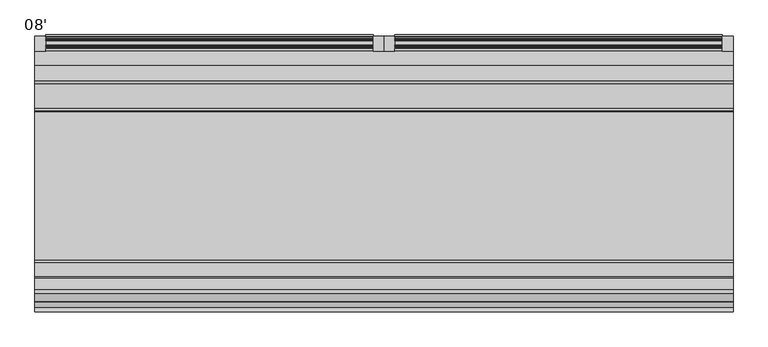
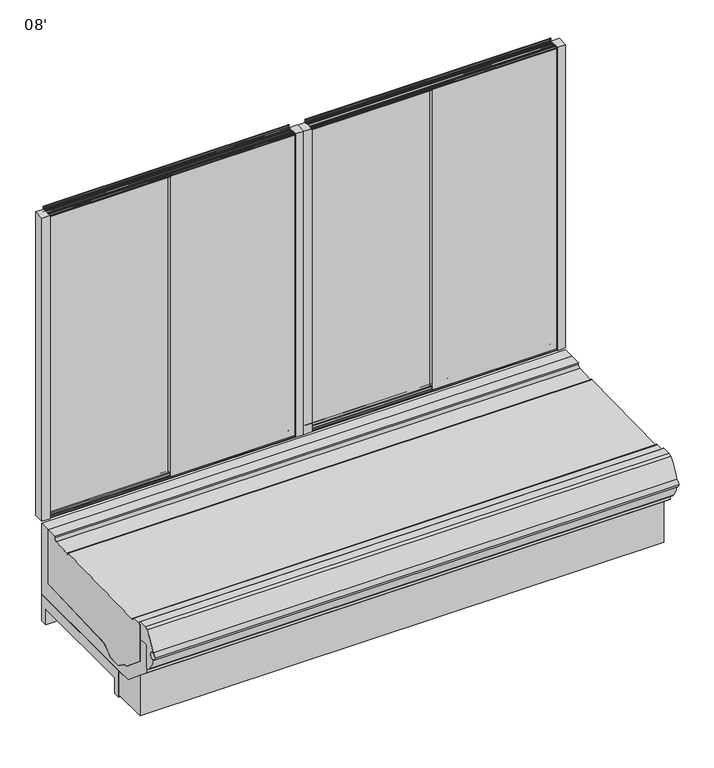
"""IFC4 building model written with IfcOpenShell, lengths in millimetres: proxy geometry, 08'."""

from ifc_helpers import new_model, si_unit, point, frame, frame_2d, origin, place, context, project, spatial, polyline, circle_curve, ellipse_curve, trimmed, segment, composite_curve, outline, extrude, source, transform, mapped, element, save
from ifc_brep_helpers import plane_surface, cylinder_surface, revolved_surface, advanced_brep


def proxy_08_94819f67(model_context):
    return source(origin(), model_context, "Body", "SolidModel", [
        extrude(outline(polyline([(2400.3, -452.3089273), (2400.3, -401.5089273), (2438.4, -401.5089273), (2438.4, -452.3089273), (2400.3, -452.3089273)])), frame((0.0, 0.0, 487.6241255), z_axis=(0.0, 0.0, 1.0), x_axis=(1.0, 0.0, 0.0)), (0.0, 0.0, 1.0), 1492.2653088),
        extrude(outline(polyline([(-447.3493012, 1973.5241255), (-440.846492, 1973.5241255), (-440.846492, 1960.8241255), (-430.661092, 1960.8241255), (-430.661092, 1973.5241255), (-424.2475921, 1973.5241255), (-424.2475927, 493.9741255), (-430.7504012, 493.9741255), (-430.7504012, 506.6741255), (-440.9358012, 506.6741255), (-440.9358012, 493.9741255), (-447.3493012, 493.9741255), (-447.3493012, 1973.5241255)])), frame((1822.3679589, 0.0, 0.0), z_axis=(1.0, 0.0, 0.0), x_axis=(0.0, 1.0, 0.0)), (0.0, 0.0, 1.0), 577.9320411),
        extrude(outline(composite_curve([segment(polyline([(-431.4353836, 490.7991255), (-431.4353836, 487.6241255), (-432.7565957, 487.6241255), (-433.7975836, 487.6241255), (-433.7975836, 490.7991255), (-436.9725836, 490.7991255), (-436.9725836, 487.6241255), (-438.1770567, 487.6241255), (-439.3347836, 487.6241255), (-439.3347836, 490.7991255), (-444.8973836, 490.7991255), (-444.8973836, 487.6241255), (-450.7393836, 487.6241255), (-450.7393836, 490.7991255)]), True, "CONTINUOUS"), segment(trimmed(circle_curve(frame_2d((-447.5643836, 490.7991255)), 3.175), [point((-450.7393836, 490.7991255))], [point((-447.5643836, 493.9741255))], False, "CARTESIAN"), True, "CONTINUOUS"), segment(polyline([(-447.5643836, 493.9741255), (-440.7571836, 493.9741255)]), True, "CONTINUOUS"), segment(trimmed(circle_curve(frame_2d((-440.7571836, 495.4981255)), 1.524), [point((-440.7571836, 493.9741255))], [point((-439.2331836, 495.4981255))], True, "CARTESIAN"), True, "CONTINUOUS"), segment(polyline([(-439.2331836, 495.4981255), (-439.2331836, 504.2928755), (-432.0957836, 504.2928755), (-432.0957836, 495.4981255)]), True, "CONTINUOUS"), segment(trimmed(circle_curve(frame_2d((-430.5717836, 495.4981255)), 1.524), [point((-432.0957836, 495.4981255))], [point((-430.5717836, 493.9741255))], True, "CARTESIAN"), True, "CONTINUOUS"), segment(polyline([(-430.5717836, 493.9741255), (-417.7447836, 493.9741255)]), True, "CONTINUOUS"), segment(trimmed(circle_curve(frame_2d((-417.7447836, 495.4981255)), 1.524), [point((-417.7447836, 493.9741255))], [point((-416.2207836, 495.4981255))], True, "CARTESIAN"), True, "CONTINUOUS"), segment(polyline([(-416.2207836, 495.4981255), (-416.2207836, 504.2928755), (-409.0849505, 504.2928755), (-409.0849505, 495.4961669)]), True, "CONTINUOUS"), segment(trimmed(circle_curve(frame_2d((-407.5586001, 495.4961669)), 1.5263503), [point((-409.0849505, 495.4961669))], [point((-407.5586001, 493.9698166))], True, "CARTESIAN"), True, "CONTINUOUS"), segment(polyline([(-407.5586001, 493.9698166), (-400.7184596, 493.9698166)]), True, "CONTINUOUS"), segment(trimmed(circle_curve(frame_2d((-400.7184596, 495.5530385)), 1.5832219), [point((-400.7184596, 493.9698166))], [point((-399.1352377, 495.5530385))], True, "CARTESIAN"), True, "CONTINUOUS"), segment(polyline([(-399.1352377, 495.5530385), (-399.1352377, 502.2711515)]), True, "CONTINUOUS"), segment(trimmed(circle_curve(frame_2d((-397.5699953, 501.9751248)), 1.5929896), [point((-399.1352377, 502.2711515))], [point((-395.9770057, 501.9751248))], False, "CARTESIAN"), True, "CONTINUOUS"), segment(polyline([(-395.9770057, 501.9751248), (-395.9770057, 478.0991225)]), True, "CONTINUOUS"), segment(trimmed(circle_curve(frame_2d((-399.2302304, 478.0991225)), 3.2532247), [point((-395.9770057, 478.0991225))], [point((-399.9393876, 474.9241316))], False, "CARTESIAN"), True, "CONTINUOUS"), segment(polyline([(-399.9393876, 474.9241316), (-399.4821836, 477.2863255)]), True, "CONTINUOUS"), segment(trimmed(circle_curve(frame_2d((-399.4383207, 478.3854626)), 1.100012), [point((-399.4821836, 477.2863255))], [point((-398.3391836, 478.4293255))], True, "CARTESIAN"), True, "CONTINUOUS"), segment(polyline([(-398.3391836, 478.4293255), (-398.3391836, 486.0493255)]), True, "CONTINUOUS"), segment(trimmed(circle_curve(frame_2d((-399.9139836, 486.0493255)), 1.5748), [point((-398.3391836, 486.0493255))], [point((-399.9139836, 487.6241255))], True, "CARTESIAN"), True, "CONTINUOUS"), segment(polyline([(-399.9139836, 487.6241255), (-404.6129836, 487.6241255), (-408.8801836, 490.7991255), (-408.8801836, 487.6241255), (-411.2423836, 487.6241255), (-411.2423836, 490.7991255), (-414.4173836, 490.7991255), (-414.4173836, 487.6241255), (-416.7795836, 487.6241255), (-416.7795836, 490.7991255), (-431.4353836, 490.7991255)]), True, "CONTINUOUS")], self_intersect=False)), frame((1257.3, 0.0, 0.0), z_axis=(1.0, 0.0, 0.0), x_axis=(0.0, 1.0, 0.0)), (0.0, 0.0, 1.0), 1143.0),
        extrude(outline(polyline([(-424.2475927, 1973.5241255), (-417.7447836, 1973.5241255), (-417.7447836, 1960.8241255), (-407.5593836, 1960.8241255), (-407.5593836, 1973.5241255), (-401.1458837, 1973.5241255), (-401.1458843, 493.9741255), (-407.6486927, 493.9741255), (-407.6486927, 506.6741255), (-417.8340927, 506.6741255), (-417.8340927, 493.9741255), (-424.2475927, 493.9741255), (-424.2475927, 1973.5241255)])), frame((1257.3, 0.0, 0.0), z_axis=(1.0, 0.0, 0.0), x_axis=(0.0, 1.0, 0.0)), (0.0, 0.0, 1.0), 577.377105),
        extrude(outline(composite_curve([segment(polyline([(-431.4353836, 1976.7144343), (-416.7795836, 1976.7144343), (-416.7795836, 1979.8894344), (-414.4173836, 1979.8894344), (-414.4173836, 1976.7144344), (-411.2423836, 1976.7144344), (-411.2423836, 1979.8894344), (-408.8801836, 1979.8894344), (-408.8801836, 1976.7144344), (-404.6129836, 1979.8894343), (-399.9139836, 1979.8894343)]), True, "CONTINUOUS"), segment(trimmed(circle_curve(frame_2d((-399.9139836, 1981.4642343)), 1.5748), [point((-399.9139836, 1979.8894343))], [point((-398.3391836, 1981.4642343))], True, "CARTESIAN"), True, "CONTINUOUS"), segment(polyline([(-398.3391836, 1981.4642343), (-398.3391836, 1989.0842344)]), True, "CONTINUOUS"), segment(trimmed(circle_curve(frame_2d((-399.4383207, 1989.1280973)), 1.100012), [point((-398.3391836, 1989.0842344))], [point((-399.4821836, 1990.2272343))], True, "CARTESIAN"), True, "CONTINUOUS"), segment(polyline([(-399.4821836, 1990.2272343), (-399.9393876, 1992.5894283)]), True, "CONTINUOUS"), segment(trimmed(circle_curve(frame_2d((-399.2302304, 1989.4144374)), 3.2532247), [point((-399.9393876, 1992.5894283))], [point((-395.9770057, 1989.4144374))], False, "CARTESIAN"), True, "CONTINUOUS"), segment(polyline([(-395.9770057, 1989.4144374), (-395.9770057, 1965.538435)]), True, "CONTINUOUS"), segment(trimmed(circle_curve(frame_2d((-397.5699953, 1965.538435)), 1.5929896), [point((-395.9770057, 1965.538435))], [point((-399.1352377, 1965.2424083))], False, "CARTESIAN"), True, "CONTINUOUS"), segment(polyline([(-399.1352377, 1965.2424083), (-399.1352377, 1971.9605214)]), True, "CONTINUOUS"), segment(trimmed(circle_curve(frame_2d((-400.7184596, 1971.9605214)), 1.5832219), [point((-399.1352377, 1971.9605214))], [point((-400.7184596, 1973.5437433))], True, "CARTESIAN"), True, "CONTINUOUS"), segment(polyline([(-400.7184596, 1973.5437433), (-407.5586001, 1973.5437433)]), True, "CONTINUOUS"), segment(trimmed(circle_curve(frame_2d((-407.5586001, 1972.0173929)), 1.5263503), [point((-407.5586001, 1973.5437433))], [point((-409.0849505, 1972.0173929))], True, "CARTESIAN"), True, "CONTINUOUS"), segment(polyline([(-409.0849505, 1972.0173929), (-409.0849505, 1963.2206844), (-416.2207836, 1963.2206844), (-416.2207836, 1972.0154344)]), True, "CONTINUOUS"), segment(trimmed(circle_curve(frame_2d((-417.7447836, 1972.0154344)), 1.524), [point((-416.2207836, 1972.0154344))], [point((-417.7447836, 1973.5394344))], True, "CARTESIAN"), True, "CONTINUOUS"), segment(polyline([(-417.7447836, 1973.5394344), (-430.5717836, 1973.5394344)]), True, "CONTINUOUS"), segment(trimmed(circle_curve(frame_2d((-430.5717836, 1972.0154344)), 1.524), [point((-430.5717836, 1973.5394344))], [point((-432.0957836, 1972.0154344))], True, "CARTESIAN"), True, "CONTINUOUS"), segment(polyline([(-432.0957836, 1972.0154344), (-432.0957836, 1963.2206844), (-439.2331836, 1963.2206844), (-439.2331836, 1972.0154344)]), True, "CONTINUOUS"), segment(trimmed(circle_curve(frame_2d((-440.7571836, 1972.0154344)), 1.524), [point((-439.2331836, 1972.0154344))], [point((-440.7571836, 1973.5394344))], True, "CARTESIAN"), True, "CONTINUOUS"), segment(polyline([(-440.7571836, 1973.5394344), (-447.5643836, 1973.5394344)]), True, "CONTINUOUS"), segment(trimmed(circle_curve(frame_2d((-447.5643836, 1976.7144344)), 3.175), [point((-447.5643836, 1973.5394344))], [point((-450.7393836, 1976.7144344))], False, "CARTESIAN"), True, "CONTINUOUS"), segment(polyline([(-450.7393836, 1976.7144344), (-450.7393836, 1979.8894344), (-444.8973836, 1979.8894344), (-444.8973836, 1976.7144344), (-439.3347836, 1976.7144344), (-439.3347836, 1979.8894344), (-438.1770567, 1979.8894344), (-436.9725836, 1979.8894344), (-436.9725836, 1976.7144344), (-433.7975836, 1976.7144344), (-433.7975836, 1979.8894344), (-432.7565957, 1979.8894344), (-431.4353836, 1979.8894344), (-431.4353836, 1976.7144343)]), True, "CONTINUOUS")], self_intersect=False)), frame((1257.3, 0.0, 0.0), z_axis=(1.0, 0.0, 0.0), x_axis=(0.0, 1.0, 0.0)), (0.0, 0.0, 1.0), 1143.0),
        extrude(outline(polyline([(1257.3, -401.5089273), (1257.3, -452.3089273), (1219.2, -452.3089273), (1219.2, -401.5089273), (1257.3, -401.5089273)])), frame((0.0, 0.0, 487.6241255), z_axis=(0.0, 0.0, 1.0), x_axis=(1.0, 0.0, 0.0)), (0.0, 0.0, 1.0), 1492.2653088),
        extrude(outline(polyline([(1181.1, -452.3089273), (1181.1, -401.5089273), (1219.2, -401.5089273), (1219.2, -452.3089273), (1181.1, -452.3089273)])), frame((0.0, 0.0, 488.1227602), z_axis=(0.0, 0.0, 1.0), x_axis=(1.0, 0.0, 0.0)), (0.0, 0.0, 1.0), 1492.2653088),
        extrude(outline(polyline([(-447.3493012, 1974.0227602), (-440.846492, 1974.0227602), (-440.846492, 1961.3227602), (-430.661092, 1961.3227602), (-430.661092, 1974.0227602), (-424.2475921, 1974.0227602), (-424.2475927, 494.4727602), (-430.7504012, 494.4727602), (-430.7504012, 507.1727602), (-440.9358012, 507.1727602), (-440.9358012, 494.4727602), (-447.3493012, 494.4727602), (-447.3493012, 1974.0227602)])), frame((603.1679589, 0.0, 0.0), z_axis=(1.0, 0.0, 0.0), x_axis=(0.0, 1.0, 0.0)), (0.0, 0.0, 1.0), 577.9320411),
        extrude(outline(composite_curve([segment(polyline([(-431.4353836, 491.2977602), (-431.4353836, 488.1227602), (-432.7565957, 488.1227602), (-433.7975836, 488.1227602), (-433.7975836, 491.2977602), (-436.9725836, 491.2977602), (-436.9725836, 488.1227602), (-438.1770567, 488.1227602), (-439.3347836, 488.1227602), (-439.3347836, 491.2977602), (-444.8973836, 491.2977602), (-444.8973836, 488.1227602), (-450.7393836, 488.1227602), (-450.7393836, 491.2977602)]), True, "CONTINUOUS"), segment(trimmed(circle_curve(frame_2d((-447.5643836, 491.2977602)), 3.175), [point((-450.7393836, 491.2977602))], [point((-447.5643836, 494.4727602))], False, "CARTESIAN"), True, "CONTINUOUS"), segment(polyline([(-447.5643836, 494.4727602), (-440.7571836, 494.4727602)]), True, "CONTINUOUS"), segment(trimmed(circle_curve(frame_2d((-440.7571836, 495.9967602)), 1.524), [point((-440.7571836, 494.4727602))], [point((-439.2331836, 495.9967602))], True, "CARTESIAN"), True, "CONTINUOUS"), segment(polyline([(-439.2331836, 495.9967602), (-439.2331836, 504.7915102), (-432.0957836, 504.7915102), (-432.0957836, 495.9967602)]), True, "CONTINUOUS"), segment(trimmed(circle_curve(frame_2d((-430.5717836, 495.9967602)), 1.524), [point((-432.0957836, 495.9967602))], [point((-430.5717836, 494.4727602))], True, "CARTESIAN"), True, "CONTINUOUS"), segment(polyline([(-430.5717836, 494.4727602), (-417.7447836, 494.4727602)]), True, "CONTINUOUS"), segment(trimmed(circle_curve(frame_2d((-417.7447836, 495.9967602)), 1.524), [point((-417.7447836, 494.4727602))], [point((-416.2207836, 495.9967602))], True, "CARTESIAN"), True, "CONTINUOUS"), segment(polyline([(-416.2207836, 495.9967602), (-416.2207836, 504.7915102), (-409.0849505, 504.7915102), (-409.0849505, 495.9948016)]), True, "CONTINUOUS"), segment(trimmed(circle_curve(frame_2d((-407.5586001, 495.9948016)), 1.5263503), [point((-409.0849505, 495.9948016))], [point((-407.5586001, 494.4684513))], True, "CARTESIAN"), True, "CONTINUOUS"), segment(polyline([(-407.5586001, 494.4684513), (-400.7184596, 494.4684513)]), True, "CONTINUOUS"), segment(trimmed(circle_curve(frame_2d((-400.7184596, 496.0516732)), 1.5832219), [point((-400.7184596, 494.4684513))], [point((-399.1352377, 496.0516732))], True, "CARTESIAN"), True, "CONTINUOUS"), segment(polyline([(-399.1352377, 496.0516732), (-399.1352377, 502.7697862)]), True, "CONTINUOUS"), segment(trimmed(circle_curve(frame_2d((-397.5699953, 502.4737595)), 1.5929896), [point((-399.1352377, 502.7697862))], [point((-395.9770057, 502.4737595))], False, "CARTESIAN"), True, "CONTINUOUS"), segment(polyline([(-395.9770057, 502.4737595), (-395.9770057, 478.5977571)]), True, "CONTINUOUS"), segment(trimmed(circle_curve(frame_2d((-399.2302304, 478.5977571)), 3.2532247), [point((-395.9770057, 478.5977571))], [point((-399.9393876, 475.4227663))], False, "CARTESIAN"), True, "CONTINUOUS"), segment(polyline([(-399.9393876, 475.4227663), (-399.4821836, 477.7849602)]), True, "CONTINUOUS"), segment(trimmed(circle_curve(frame_2d((-399.4383207, 478.8840973)), 1.100012), [point((-399.4821836, 477.7849602))], [point((-398.3391836, 478.9279602))], True, "CARTESIAN"), True, "CONTINUOUS"), segment(polyline([(-398.3391836, 478.9279602), (-398.3391836, 486.5479602)]), True, "CONTINUOUS"), segment(trimmed(circle_curve(frame_2d((-399.9139836, 486.5479602)), 1.5748), [point((-398.3391836, 486.5479602))], [point((-399.9139836, 488.1227602))], True, "CARTESIAN"), True, "CONTINUOUS"), segment(polyline([(-399.9139836, 488.1227602), (-404.6129836, 488.1227602), (-408.8801836, 491.2977602), (-408.8801836, 488.1227602), (-411.2423836, 488.1227602), (-411.2423836, 491.2977602), (-414.4173836, 491.2977602), (-414.4173836, 488.1227602), (-416.7795836, 488.1227602), (-416.7795836, 491.2977602), (-431.4353836, 491.2977602)]), True, "CONTINUOUS")], self_intersect=False)), frame((38.1, 0.0, 0.0), z_axis=(1.0, 0.0, 0.0), x_axis=(0.0, 1.0, 0.0)), (0.0, 0.0, 1.0), 1143.0),
        extrude(outline(polyline([(-424.2475927, 1974.0227602), (-417.7447836, 1974.0227602), (-417.7447836, 1961.3227602), (-407.5593836, 1961.3227602), (-407.5593836, 1974.0227602), (-401.1458837, 1974.0227602), (-401.1458843, 494.4727602), (-407.6486927, 494.4727602), (-407.6486927, 507.1727602), (-417.8340927, 507.1727602), (-417.8340927, 494.4727602), (-424.2475927, 494.4727602), (-424.2475927, 1974.0227602)])), frame((38.1, 0.0, 0.0), z_axis=(1.0, 0.0, 0.0), x_axis=(0.0, 1.0, 0.0)), (0.0, 0.0, 1.0), 577.377105),
        extrude(outline(composite_curve([segment(polyline([(-431.4353836, 1977.213069), (-416.7795836, 1977.213069), (-416.7795836, 1980.388069), (-414.4173836, 1980.388069), (-414.4173836, 1977.213069), (-411.2423836, 1977.213069), (-411.2423836, 1980.388069), (-408.8801836, 1980.388069), (-408.8801836, 1977.213069), (-404.6129836, 1980.388069), (-399.9139836, 1980.388069)]), True, "CONTINUOUS"), segment(trimmed(circle_curve(frame_2d((-399.9139836, 1981.962869)), 1.5748), [point((-399.9139836, 1980.388069))], [point((-398.3391836, 1981.962869))], True, "CARTESIAN"), True, "CONTINUOUS"), segment(polyline([(-398.3391836, 1981.962869), (-398.3391836, 1989.582869)]), True, "CONTINUOUS"), segment(trimmed(circle_curve(frame_2d((-399.4383207, 1989.6267319)), 1.100012), [point((-398.3391836, 1989.582869))], [point((-399.4821836, 1990.725869))], True, "CARTESIAN"), True, "CONTINUOUS"), segment(polyline([(-399.4821836, 1990.725869), (-399.9393876, 1993.0880629)]), True, "CONTINUOUS"), segment(trimmed(circle_curve(frame_2d((-399.2302304, 1989.9130721)), 3.2532247), [point((-399.9393876, 1993.0880629))], [point((-395.9770057, 1989.9130721))], False, "CARTESIAN"), True, "CONTINUOUS"), segment(polyline([(-395.9770057, 1989.9130721), (-395.9770057, 1966.0370697)]), True, "CONTINUOUS"), segment(trimmed(circle_curve(frame_2d((-397.5699953, 1966.0370697)), 1.5929896), [point((-395.9770057, 1966.0370697))], [point((-399.1352377, 1965.741043))], False, "CARTESIAN"), True, "CONTINUOUS"), segment(polyline([(-399.1352377, 1965.741043), (-399.1352377, 1972.459156)]), True, "CONTINUOUS"), segment(trimmed(circle_curve(frame_2d((-400.7184596, 1972.459156)), 1.5832219), [point((-399.1352377, 1972.459156))], [point((-400.7184596, 1974.0423779))], True, "CARTESIAN"), True, "CONTINUOUS"), segment(polyline([(-400.7184596, 1974.0423779), (-407.5586001, 1974.0423779)]), True, "CONTINUOUS"), segment(trimmed(circle_curve(frame_2d((-407.5586001, 1972.5160276)), 1.5263503), [point((-407.5586001, 1974.0423779))], [point((-409.0849505, 1972.5160276))], True, "CARTESIAN"), True, "CONTINUOUS"), segment(polyline([(-409.0849505, 1972.5160276), (-409.0849505, 1963.719319), (-416.2207836, 1963.719319), (-416.2207836, 1972.5140691)]), True, "CONTINUOUS"), segment(trimmed(circle_curve(frame_2d((-417.7447836, 1972.5140691)), 1.524), [point((-416.2207836, 1972.5140691))], [point((-417.7447836, 1974.0380691))], True, "CARTESIAN"), True, "CONTINUOUS"), segment(polyline([(-417.7447836, 1974.0380691), (-430.5717836, 1974.0380691)]), True, "CONTINUOUS"), segment(trimmed(circle_curve(frame_2d((-430.5717836, 1972.5140691)), 1.524), [point((-430.5717836, 1974.0380691))], [point((-432.0957836, 1972.5140691))], True, "CARTESIAN"), True, "CONTINUOUS"), segment(polyline([(-432.0957836, 1972.5140691), (-432.0957836, 1963.719319), (-439.2331836, 1963.719319), (-439.2331836, 1972.514069)]), True, "CONTINUOUS"), segment(trimmed(circle_curve(frame_2d((-440.7571836, 1972.514069)), 1.524), [point((-439.2331836, 1972.514069))], [point((-440.7571836, 1974.038069))], True, "CARTESIAN"), True, "CONTINUOUS"), segment(polyline([(-440.7571836, 1974.038069), (-447.5643836, 1974.038069)]), True, "CONTINUOUS"), segment(trimmed(circle_curve(frame_2d((-447.5643836, 1977.213069)), 3.175), [point((-447.5643836, 1974.038069))], [point((-450.7393836, 1977.213069))], False, "CARTESIAN"), True, "CONTINUOUS"), segment(polyline([(-450.7393836, 1977.213069), (-450.7393836, 1980.388069), (-444.8973836, 1980.388069), (-444.8973836, 1977.213069), (-439.3347836, 1977.213069), (-439.3347836, 1980.388069), (-438.1770567, 1980.388069), (-436.9725836, 1980.388069), (-436.9725836, 1977.213069), (-433.7975836, 1977.213069), (-433.7975836, 1980.388069), (-432.7565957, 1980.388069), (-431.4353836, 1980.388069), (-431.4353836, 1977.213069)]), True, "CONTINUOUS")], self_intersect=False)), frame((38.1, 0.0, 0.0), z_axis=(1.0, 0.0, 0.0), x_axis=(0.0, 1.0, 0.0)), (0.0, 0.0, 1.0), 1143.0),
        extrude(outline(polyline([(38.1, -401.5089273), (38.1, -452.3089273), (0.0, -452.3089273), (0.0, -401.5089273), (38.1, -401.5089273)])), frame((0.0, 0.0, 488.1227602), z_axis=(0.0, 0.0, 1.0), x_axis=(1.0, 0.0, 0.0)), (0.0, 0.0, 1.0), 1492.2653088),
        extrude(outline(composite_curve([segment(trimmed(circle_curve(frame_2d((630.2375, -1111.4211473)), 14.2875), [point((615.95, -1111.4211473))], [point((644.525, -1111.4211473))], False, "CARTESIAN"), True, "CONTINUOUS"), segment(trimmed(circle_curve(frame_2d((630.2375, -1111.4211473)), 14.2875), [point((644.525, -1111.4211473))], [point((615.95, -1111.4211473))], False, "CARTESIAN"), True, "CONTINUOUS")], self_intersect=False)), frame((0.0, 0.0, 95.25), z_axis=(0.0, 0.0, 1.0), x_axis=(1.0, 0.0, 0.0)), (0.0, 0.0, 1.0), 6.35),
        extrude(outline(composite_curve([segment(trimmed(circle_curve(frame_2d((681.0375, -1111.4211473)), 14.2875), [point((666.75, -1111.4211473))], [point((695.325, -1111.4211473))], False, "CARTESIAN"), True, "CONTINUOUS"), segment(trimmed(circle_curve(frame_2d((681.0375, -1111.4211473)), 14.2875), [point((695.325, -1111.4211473))], [point((666.75, -1111.4211473))], False, "CARTESIAN"), True, "CONTINUOUS")], self_intersect=False)), frame((0.0, 0.0, 95.25), z_axis=(0.0, 0.0, 1.0), x_axis=(1.0, 0.0, 0.0)), (0.0, 0.0, 1.0), 6.35),
        extrude(outline(polyline([(176.2125, -1111.4211473), (712.7875, -1111.4211473), (712.7875, -1174.1273973), (176.2125, -1174.1273973), (176.2125, -1111.4211473)])), frame((0.0, 0.0, 95.25), z_axis=(0.0, 0.0, 1.0), x_axis=(1.0, 0.0, 0.0)), (0.0, 0.0, 1.0), 6.35),
        advanced_brep(
        [(2438.4, -1073.0214273, 12.2013653), (2438.4, -1073.0214273, 130.175), (2438.4, -1146.2570324, 130.175), (2438.4, -1243.1039054, 211.4391755), (2438.4, -1243.1039054, 12.2013653), (0.0, -1073.0214273, 12.2013653), (0.0, -1243.1039054, 12.2013653), (0.0, -1243.1039054, 211.4391755), (0.0, -1146.2570324, 130.175), (0.0, -1073.0214273, 130.175), (1168.4, -1128.5839273, 12.2013653), (1270.0, -1128.5839273, 12.2013653), (712.7875, -1174.1273973, 12.2013653), (712.7875, -1111.4211473, 12.2013653), (176.2125, -1111.4211473, 12.2013653), (176.2125, -1174.1273973, 12.2013653), (1168.4, -1128.5839273, 101.6), (1270.0, -1128.5839273, 101.6), (712.7875, -1174.1273973, 101.6), (176.2125, -1174.1273973, 101.6), (176.2125, -1111.4211473, 101.6), (712.7875, -1111.4211473, 101.6)],
        [
            (0, 1),
            (1, 2),
            (2, 3),
            (3, 4),
            (4, 0),
            (5, 6),
            (6, 7),
            (7, 8),
            (8, 9),
            (9, 5),
            (0, 5),
            (9, 1),
            (8, 2),
            (3, 7),
            (6, 4),
            (10, 11, circle_curve(frame((1219.2, -1128.5839273, 12.2013653), z_axis=(0.0, 0.0, 1.0), x_axis=(1.0, 0.0, 0.0)), 50.8)),
            (11, 10, circle_curve(frame((1219.2, -1128.5839273, 12.2013653), z_axis=(0.0, 0.0, 1.0), x_axis=(1.0, 0.0, 0.0)), 50.8)),
            (12, 13),
            (13, 14),
            (14, 15),
            (15, 12),
            (16, 17, circle_curve(frame((1219.2, -1128.5839273, 101.6), z_axis=(0.0, 0.0, -1.0), x_axis=(1.0, 0.0, 0.0)), 50.8)),
            (17, 16, circle_curve(frame((1219.2, -1128.5839273, 101.6), z_axis=(0.0, 0.0, -1.0), x_axis=(1.0, 0.0, 0.0)), 50.8)),
            (17, 11),
            (10, 16),
            (18, 19),
            (19, 20),
            (20, 21),
            (21, 18),
            (21, 13),
            (12, 18),
            (20, 14),
            (19, 15),
        ],
        [
            plane_surface(frame((2438.4, -1073.0214273, 12.2013653), z_axis=(1.0, 0.0, 0.0), x_axis=(0.0, 0.0, 1.0))),
            plane_surface(frame((0.0, -1073.0214273, 12.2013653), z_axis=(-1.0, 0.0, 0.0), x_axis=(0.0, 0.0, -1.0))),
            plane_surface(frame((2438.4, -1073.0214273, 12.2013653), z_axis=(0.0, 1.0, 0.0), x_axis=(-1.0, 0.0, 0.0))),
            plane_surface(frame((2438.4, -1073.0214273, 130.175), z_axis=(0.0, 0.0, 1.0), x_axis=(-1.0, 0.0, 0.0))),
            plane_surface(frame((2438.4, -1243.1039054, 211.4391755), z_axis=(0.0, -1.0, 0.0), x_axis=(-1.0, 0.0, 0.0))),
            plane_surface(frame((2438.4, -1243.1039054, 12.2013653), z_axis=(0.0, 0.0, -1.0), x_axis=(-1.0, 0.0, 0.0))),
            plane_surface(frame((2438.4, -1146.2570324, 130.175), z_axis=(0.0, 0.6427876096870818, 0.7660444431185228), x_axis=(-1.0, 0.0, 0.0))),
            plane_surface(frame((1270.0, -1128.5839273, 101.6), z_axis=(0.0, 0.0, -1.0), x_axis=(0.0, 1.0, 0.0))),
            revolved_surface(polyline([(1270.0, -1128.5839273, 101.6), (1270.0, -1128.5839273, 12.2013653)]), (1219.2, -1128.5839273, 0.0), (0.0, 0.0, 1.0)),
            plane_surface(frame((712.7875, -1174.1273973, 101.6), z_axis=(0.0, 0.0, -1.0), x_axis=(0.0, 1.0, 0.0))),
            plane_surface(frame((712.7875, -1174.1273973, 101.6), z_axis=(-1.0, 0.0, 0.0), x_axis=(0.0, 0.0, -1.0))),
            plane_surface(frame((712.7875, -1111.4211473, 101.6), z_axis=(0.0, -1.0, 0.0), x_axis=(0.0, 0.0, -1.0))),
            plane_surface(frame((176.2125, -1111.4211473, 101.6), z_axis=(1.0, 0.0, 0.0), x_axis=(0.0, 0.0, -1.0))),
            plane_surface(frame((176.2125, -1174.1273973, 101.6), z_axis=(0.0, 1.0, 0.0), x_axis=(0.0, 0.0, -1.0))),
        ],
        [
            (0, [[1, 2, 3, 4, 5]]),
            (1, [[6, 7, 8, 9, 10]]),
            (2, [[-1, 11, -10, 12]]),
            (3, [[-2, -12, -9, 13]]),
            (4, [[-4, 14, -7, 15]]),
            (5, [[-5, -15, -6, -11], [16, 17], [18, 19, 20, 21]]),
            (6, [[-3, -13, -8, -14]]),
            (7, [[22, 23]]),
            (8, [[-23, 24, -16, 25]]),
            (8, [[-22, -25, -17, -24]]),
            (9, [[26, 27, 28, 29]]),
            (10, [[-29, 30, -18, 31]]),
            (11, [[-28, 32, -19, -30]]),
            (12, [[-27, 33, -20, -32]]),
            (13, [[-26, -31, -21, -33]]),
        ],
    ),
        advanced_brep(
        [(2438.4, -452.3089273, 130.175), (2438.4, -1073.0214273, 130.175), (2438.4, -1073.0214273, 0.0), (2438.4, -1041.2714273, 0.0), (2438.4, -1041.2714273, 75.5338366), (2438.4, -484.0589273, 75.5338366), (2438.4, -484.0589273, 0.0), (2438.4, -452.3089273, 0.0), (0.0, -452.3089273, 130.175), (0.0, -452.3089273, 0.0), (0.0, -484.0589273, 0.0), (0.0, -484.0589273, 75.5338366), (0.0, -1041.2714273, 75.5338366), (0.0, -1041.2714273, 0.0), (0.0, -1073.0214273, 0.0), (0.0, -1073.0214273, 130.175), (2166.9375, -974.5964273, 75.5338366), (2268.5375, -974.5964273, 75.5338366), (2166.9375, -974.5964273, 101.6), (2268.5375, -974.5964273, 101.6)],
        [
            (0, 1),
            (1, 2),
            (2, 3),
            (3, 4),
            (4, 5),
            (5, 6),
            (6, 7),
            (7, 0),
            (8, 9),
            (9, 10),
            (10, 11),
            (11, 12),
            (12, 13),
            (13, 14),
            (14, 15),
            (15, 8),
            (0, 8),
            (15, 1),
            (14, 2),
            (13, 3),
            (12, 4),
            (11, 5),
            (16, 17, circle_curve(frame((2217.7375, -974.5964273, 75.5338366), z_axis=(0.0, 0.0, 1.0), x_axis=(1.0, 0.0, 0.0)), 50.8)),
            (17, 16, circle_curve(frame((2217.7375, -974.5964273, 75.5338366), z_axis=(0.0, 0.0, 1.0), x_axis=(1.0, 0.0, 0.0)), 50.8)),
            (10, 6),
            (9, 7),
            (18, 19, circle_curve(frame((2217.7375, -974.5964273, 101.6), z_axis=(0.0, 0.0, -1.0), x_axis=(1.0, 0.0, 0.0)), 50.8)),
            (19, 18, circle_curve(frame((2217.7375, -974.5964273, 101.6), z_axis=(0.0, 0.0, -1.0), x_axis=(1.0, 0.0, 0.0)), 50.8)),
            (19, 17),
            (16, 18),
        ],
        [
            plane_surface(frame((2438.4, -452.3089273, 130.175), z_axis=(1.0, 0.0, 0.0), x_axis=(0.0, -1.0, 0.0))),
            plane_surface(frame((0.0, -452.3089273, 130.175), z_axis=(-1.0, 0.0, 0.0), x_axis=(0.0, 1.0, 0.0))),
            plane_surface(frame((2438.4, -452.3089273, 130.175), z_axis=(0.0, 0.0, 1.0), x_axis=(-1.0, 0.0, 0.0))),
            plane_surface(frame((2438.4, -1073.0214273, 130.175), z_axis=(0.0, -1.0, 0.0), x_axis=(-1.0, 0.0, 0.0))),
            plane_surface(frame((2438.4, -1073.0214273, 0.0), z_axis=(0.0, 0.0, -1.0), x_axis=(-1.0, 0.0, 0.0))),
            plane_surface(frame((2438.4, -1041.2714273, 0.0), z_axis=(0.0, 1.0, 0.0), x_axis=(-1.0, 0.0, 0.0))),
            plane_surface(frame((2438.4, -1041.2714273, 75.5338366), z_axis=(0.0, 0.0, -1.0), x_axis=(-1.0, 0.0, 0.0))),
            plane_surface(frame((2438.4, -484.0589273, 75.5338366), z_axis=(0.0, -1.0, 0.0), x_axis=(-1.0, 0.0, 0.0))),
            plane_surface(frame((2438.4, -484.0589273, 0.0), z_axis=(0.0, 0.0, -1.0), x_axis=(-1.0, 0.0, 0.0))),
            plane_surface(frame((2438.4, -452.3089273, 0.0), z_axis=(0.0, 1.0, 0.0), x_axis=(-1.0, 0.0, 0.0))),
            plane_surface(frame((2268.5375, -974.5964273, 101.6), z_axis=(0.0, 0.0, -1.0), x_axis=(0.0, 1.0, 0.0))),
            revolved_surface(polyline([(2268.5375000000004, -974.5964273, 101.6), (2268.5375000000004, -974.5964273, 75.5338366)]), (2217.7375, -974.5964273, 0.0), (0.0, 0.0, 1.0)),
        ],
        [
            (0, [[1, 2, 3, 4, 5, 6, 7, 8]]),
            (1, [[9, 10, 11, 12, 13, 14, 15, 16]]),
            (2, [[-1, 17, -16, 18]]),
            (3, [[-2, -18, -15, 19]]),
            (4, [[-3, -19, -14, 20]]),
            (5, [[-4, -20, -13, 21]]),
            (6, [[-5, -21, -12, 22], [23, 24]]),
            (7, [[-6, -22, -11, 25]]),
            (8, [[-7, -25, -10, 26]]),
            (9, [[-8, -26, -9, -17]]),
            (10, [[27, 28]]),
            (11, [[-28, 29, -23, 30]]),
            (11, [[-27, -30, -24, -29]]),
        ],
    ),
        extrude(outline(composite_curve([segment(trimmed(circle_curve(frame_2d((1219.2, -1128.5839273)), 38.1), [point((1181.1, -1128.5839273))], [point((1257.3, -1128.5839273))], False, "CARTESIAN"), True, "CONTINUOUS"), segment(trimmed(circle_curve(frame_2d((1219.2, -1128.5839273)), 38.1), [point((1257.3, -1128.5839273))], [point((1181.1, -1128.5839273))], False, "CARTESIAN"), True, "CONTINUOUS")], self_intersect=False)), frame((0.0, 0.0, 12.2013653), z_axis=(0.0, 0.0, 1.0), x_axis=(1.0, 0.0, 0.0)), (0.0, 0.0, 1.0), 89.3986347),
        extrude(outline(composite_curve([segment(trimmed(circle_curve(frame_2d((2240.0985802, -974.5964273)), 12.7), [point((2227.3985802, -974.5964273))], [point((2252.7985802, -974.5964273))], False, "CARTESIAN"), True, "CONTINUOUS"), segment(trimmed(circle_curve(frame_2d((2240.0985802, -974.5964273)), 12.7), [point((2252.7985802, -974.5964273))], [point((2227.3985802, -974.5964273))], False, "CARTESIAN"), True, "CONTINUOUS")], self_intersect=False)), frame((0.0, 0.0, 58.0612938), z_axis=(0.0, 0.0, 1.0), x_axis=(1.0, 0.0, 0.0)), (0.0, 0.0, 1.0), 43.5387062),
        extrude(outline(composite_curve([segment(trimmed(circle_curve(frame_2d((2195.3764198, -974.5964273)), 9.525), [point((2185.8514198, -974.5964273))], [point((2204.9014198, -974.5964273))], False, "CARTESIAN"), True, "CONTINUOUS"), segment(trimmed(circle_curve(frame_2d((2195.3764198, -974.5964273)), 9.525), [point((2204.9014198, -974.5964273))], [point((2185.8514198, -974.5964273))], False, "CARTESIAN"), True, "CONTINUOUS")], self_intersect=False)), frame((0.0, 0.0, 58.0612938), z_axis=(0.0, 0.0, 1.0), x_axis=(1.0, 0.0, 0.0)), (0.0, 0.0, 1.0), 43.5387062),
        extrude(outline(composite_curve([segment(trimmed(circle_curve(frame_2d((-1347.2433663, 367.9992673)), 17.5253579), [point((-1364.7687241, 367.9992673))], [point((-1329.7180084, 367.9992673))], False, "CARTESIAN"), True, "CONTINUOUS"), segment(trimmed(circle_curve(frame_2d((-1347.2433663, 367.9992673)), 17.5253579), [point((-1329.7180084, 367.9992673))], [point((-1364.7687241, 367.9992673))], False, "CARTESIAN"), True, "CONTINUOUS")], self_intersect=False)), frame((0.0, 0.0, 0.0), z_axis=(1.0, 0.0, 0.0), x_axis=(0.0, 1.0, 0.0)), (0.0, 0.0, 1.0), 2438.4),
        extrude(outline(composite_curve([segment(polyline([(-1245.9961468, 391.318369), (-1295.500747, 391.318369), (-1295.500747, 280.533396), (-1302.3438406, 280.533396)]), True, "CONTINUOUS"), segment(trimmed(circle_curve(frame_2d((-1302.3438406, 305.5225165)), 24.9891205), [point((-1302.3438406, 280.533396))], [point((-1321.3444882, 289.2919424))], False, "CARTESIAN"), True, "CONTINUOUS"), segment(trimmed(circle_curve(frame_2d((-1224.9947913, 371.5949736)), 126.7164276), [point((-1321.3444882, 289.2919424))], [point((-1349.9746027, 350.6880422))], False, "CARTESIAN"), True, "CONTINUOUS"), segment(trimmed(circle_curve(frame_2d((-1347.2433663, 367.9992673)), 17.5253579), [point((-1349.9746027, 350.6880422))], [point((-1349.7664501, 385.342053))], True, "CARTESIAN"), True, "CONTINUOUS"), segment(trimmed(circle_curve(frame_2d((-1177.8830392, 339.856527)), 177.8), [point((-1349.7664501, 385.342053))], [point((-1300.4945157, 468.617025))], False, "CARTESIAN"), True, "CONTINUOUS"), segment(trimmed(circle_curve(frame_2d((-1285.6905994, 453.0706855)), 21.4672915), [point((-1300.4945157, 468.617025))], [point((-1285.6905994, 474.5379771))], False, "CARTESIAN"), True, "CONTINUOUS"), segment(polyline([(-1285.6905994, 474.5379771), (-1245.4865509, 474.5379771)]), True, "CONTINUOUS"), segment(trimmed(circle_curve(frame_2d((-1245.4865509, 471.3629771)), 3.175), [point((-1245.4865509, 474.5379771))], [point((-1242.3115509, 471.3629771))], False, "CARTESIAN"), True, "CONTINUOUS"), segment(polyline([(-1242.3115509, 471.3629771), (-1242.3115509, 459.7945146), (-1245.9961468, 459.7945146), (-1245.9961468, 391.318369)]), True, "CONTINUOUS")], self_intersect=False)), frame((0.0, 0.0, 0.0), z_axis=(1.0, 0.0, 0.0), x_axis=(0.0, 1.0, 0.0)), (0.0, 0.0, 1.0), 2438.4),
        advanced_brep(
        [(2438.4, -502.6469358, 478.049844), (2438.4, -555.1853592, 478.049844), (2438.4, -555.1853592, 470.6082296), (2438.4, -566.9994519, 457.9391661), (2438.4, -652.5039641, 451.9601082), (2438.4, -661.9535863, 451.9601082), (2438.4, -661.9535863, 458.3354811), (2438.4, -664.8262137, 461.0924129), (2438.4, -1183.8353592, 448.8187782), (2438.4, -1183.8353592, 451.8697146), (2438.4, -1191.7601592, 459.7945146), (2438.4, -1245.9961468, 459.7945146), (2438.4, -1245.9961468, 281.5377373), (2438.4, -1136.0148401, 189.2524634), (2438.4, -1121.4102893, 189.7624656), (2438.4, -1082.2990149, 161.4683934), (2438.4, -1081.0610355, 161.5116246), (2438.4, -1067.6895315, 152.4973852), (2438.4, -1007.4012798, 154.6026974), (2438.4, -994.6911497, 164.5277274), (2438.4, -993.4531703, 164.5709586), (2438.4, -956.4108637, 195.5243725), (2438.4, -502.6469358, 211.370158), (0.0, -502.6469358, 478.049844), (0.0, -502.6469358, 211.370158), (0.0, -956.4108637, 195.5243725), (0.0, -993.4531703, 164.5709586), (0.0, -994.6911497, 164.5277274), (0.0, -1007.4012798, 154.6026974), (0.0, -1067.6895315, 152.4973852), (0.0, -1081.0610355, 161.5116246), (0.0, -1082.2990149, 161.4683934), (0.0, -1121.4102893, 189.7624656), (0.0, -1136.0148401, 189.2524634), (0.0, -1245.9961468, 281.5377373), (0.0, -1245.9961468, 459.7945146), (0.0, -1191.7601592, 459.7945146), (0.0, -1183.8353592, 451.8697146), (0.0, -1183.8353592, 448.8187782), (0.0, -664.8262137, 461.0924129), (0.0, -661.9535863, 458.3354811), (0.0, -661.9535863, 451.9601082), (0.0, -652.5039641, 451.9601082), (0.0, -566.9994519, 457.9391661), (0.0, -555.1853592, 470.6082296), (0.0, -555.1853592, 478.049844), (2289.6060645, -547.5589273, 209.8017967), (2336.8, -547.5589273, 279.4), (2383.9939355, -547.5589273, 209.8017967), (2336.8, -502.6469358, 279.4), (2384.5888328, -502.6469358, 211.370158), (2289.0111672, -502.6469358, 211.370158)],
        [
            (0, 1),
            (1, 2),
            (2, 3, circle_curve(frame((2438.4, -567.8853592, 470.6082296), z_axis=(-1.0, 0.0, 0.0), x_axis=(0.0, 1.0, 0.0)), 12.7)),
            (3, 4),
            (4, 5),
            (5, 6),
            (6, 7, circle_curve(frame((2438.4, -664.7598588, 458.2864974), z_axis=(1.0, 0.0, 0.0), x_axis=(0.0, 1.0, 0.0)), 2.8067)),
            (7, 8),
            (8, 9),
            (9, 10, circle_curve(frame((2438.4, -1191.7601592, 451.8697146), z_axis=(1.0, 0.0, 0.0), x_axis=(0.0, 1.0, 0.0)), 7.9248)),
            (10, 11),
            (11, 12),
            (12, 13),
            (13, 14),
            (14, 15),
            (15, 16),
            (16, 17),
            (17, 18),
            (18, 19),
            (19, 20),
            (20, 21),
            (21, 22),
            (22, 0),
            (23, 24),
            (24, 25),
            (25, 26),
            (26, 27),
            (27, 28),
            (28, 29),
            (29, 30),
            (30, 31),
            (31, 32),
            (32, 33),
            (33, 34),
            (34, 35),
            (35, 36),
            (36, 37, circle_curve(frame((0.0, -1191.7601592, 451.8697146), z_axis=(-1.0, 0.0, 0.0), x_axis=(0.0, 1.0, 0.0)), 7.9248)),
            (37, 38),
            (38, 39),
            (39, 40, circle_curve(frame((0.0, -664.7598588, 458.2864974), z_axis=(-1.0, 0.0, 0.0), x_axis=(0.0, 1.0, 0.0)), 2.8067)),
            (40, 41),
            (41, 42),
            (42, 43),
            (43, 44, circle_curve(frame((0.0, -567.8853592, 470.6082296), z_axis=(1.0, 0.0, 0.0), x_axis=(0.0, 1.0, 0.0)), 12.7)),
            (44, 45),
            (45, 23),
            (46, 47, circle_curve(frame((2336.8, -547.5589273, 228.6), z_axis=(0.0, 1.0, 0.0), x_axis=(0.0, 0.0, 1.0)), 50.8)),
            (47, 48, circle_curve(frame((2336.8, -547.5589273, 228.6), z_axis=(0.0, 1.0, 0.0), x_axis=(0.0, 0.0, 1.0)), 50.8)),
            (48, 46),
            (47, 49),
            (49, 50, circle_curve(frame((2336.8, -502.6469358, 228.6), z_axis=(0.0, 1.0, 0.0), x_axis=(0.0, 0.0, 1.0)), 50.8)),
            (50, 48, ellipse_curve(frame((2336.8, -9.248816, 228.6), z_axis=(0.0, 0.03489949670246394, -0.9993908270190971), x_axis=(0.0, -0.9993908270190969, -0.03489949670246394)), 1455.6083841, 50.8)),
            (46, 51, ellipse_curve(frame((2336.8, -9.248816, 228.6), z_axis=(0.0, 0.03489949670246394, -0.9993908270190971), x_axis=(0.0, -0.9993908270190969, -0.03489949670246394)), 1455.6083841, 50.8)),
            (51, 49, circle_curve(frame((2336.8, -502.6469358, 228.6), z_axis=(0.0, 1.0, 0.0), x_axis=(0.0, 0.0, 1.0)), 50.8)),
            (22, 50),
            (51, 24),
            (23, 0),
            (45, 1),
            (44, 2),
            (43, 3),
            (42, 4),
            (41, 5),
            (40, 6),
            (39, 7),
            (8, 38),
            (37, 9),
            (36, 10),
            (35, 11),
            (34, 12),
            (33, 13),
            (32, 14),
            (31, 15),
            (30, 16),
            (29, 17),
            (28, 18),
            (27, 19),
            (26, 20),
            (25, 21),
        ],
        [
            plane_surface(frame((2438.4, -502.6469358, 478.049844), z_axis=(1.0, 0.0, 0.0), x_axis=(0.0, -1.0, 0.0))),
            plane_surface(frame((0.0, -502.6469358, 478.049844), z_axis=(-1.0, 0.0, 0.0), x_axis=(0.0, 1.0, 0.0))),
            plane_surface(frame((2336.8, -547.5589273, 279.4), z_axis=(0.0, 1.0, 0.0), x_axis=(-1.0, 0.0, 0.0))),
            revolved_surface(polyline([(2336.8, -1463.9704828016302, 279.4), (2336.8, 1445.47285080163, 279.4)]), (2336.8, -401.5089273, 228.6), (0.0, -1.0, 0.0)),
            plane_surface(frame((2438.4, -502.6469358, 211.370158), z_axis=(0.0, 1.0, 0.0), x_axis=(-1.0, 0.0, 0.0))),
            plane_surface(frame((2438.4, -502.6469358, 478.049844), z_axis=(0.0, 0.0, 1.0), x_axis=(-1.0, 0.0, 0.0))),
            plane_surface(frame((2438.4, -555.1853592, 478.049844), z_axis=(0.0, -1.0, 0.0), x_axis=(-1.0, 0.0, 0.0))),
            revolved_surface(polyline([(0.0, -555.1853592, 470.6082296), (2438.4, -555.1853592, 470.6082296)]), (0.0, -567.8853592, 470.6082296), (-1.0, 0.0, 0.0)),
            plane_surface(frame((2438.4, -566.9994519, 457.9391661), z_axis=(0.0, -0.06975647369769979, 0.9975640502630707), x_axis=(-1.0, 0.0, 0.0))),
            plane_surface(frame((2438.4, -652.5039641, 451.9601082), z_axis=(0.0, 0.0, 1.0), x_axis=(-1.0, 0.0, 0.0))),
            plane_surface(frame((2438.4, -661.9535863, 451.9601082), z_axis=(0.0, 1.0, 0.0), x_axis=(-1.0, 0.0, 0.0))),
            cylinder_surface(frame((0.0, -664.7598588, 458.2864974), z_axis=(1.0, 0.0, 0.0), x_axis=(0.0, 1.0, 0.0)), 2.8067),
            plane_surface(frame((2438.4, -1183.8353592, 448.8187782), z_axis=(0.0, 1.0, 0.0), x_axis=(-1.0, 0.0, 0.0))),
            cylinder_surface(frame((0.0, -1191.7601592, 451.8697146), z_axis=(1.0, 0.0, 0.0), x_axis=(0.0, 1.0, 0.0)), 7.9248),
            plane_surface(frame((2438.4, -1191.7601592, 459.7945146), z_axis=(0.0, 0.0, 1.0), x_axis=(-1.0, 0.0, 0.0))),
            plane_surface(frame((2438.4, -1245.9961468, 459.7945146), z_axis=(0.0, -1.0, 0.0), x_axis=(-1.0, 0.0, 0.0))),
            plane_surface(frame((2438.4, -664.8262137, 461.0924129), z_axis=(0.0, -0.02364159544812426, 0.9997204984217676), x_axis=(-1.0, 0.0, 0.0))),
            plane_surface(frame((2438.4, -1245.9961468, 281.5377373), z_axis=(0.0, -0.642787609687072, -0.766044443118531), x_axis=(-1.0, 0.0, 0.0))),
            plane_surface(frame((2438.4, -1136.0148401, 189.2524634), z_axis=(0.0, 0.03489949670339704, -0.9993908270190645), x_axis=(-1.0, 0.0, 0.0))),
            plane_surface(frame((2438.4, -1121.4102893, 189.7624656), z_axis=(0.0, -0.5861307997256249, -0.8102164436821802), x_axis=(-1.0, 0.0, 0.0))),
            plane_surface(frame((2438.4, -1082.2990149, 161.4683934), z_axis=(0.0, 0.0348994967014342, -0.9993908270191331), x_axis=(-1.0, 0.0, 0.0))),
            plane_surface(frame((2438.4, -1081.0610355, 161.5116246), z_axis=(0.0, -0.5589817440967416, -0.8291799622317009), x_axis=(-1.0, 0.0, 0.0))),
            plane_surface(frame((2438.4, -1067.6895315, 152.4973852), z_axis=(0.0, 0.034899496702446756, -0.9993908270190978), x_axis=(-1.0, 0.0, 0.0))),
            plane_surface(frame((2438.4, -1007.4012798, 154.6026974), z_axis=(0.0, 0.6154607629252867, -0.7881675261639648), x_axis=(-1.0, 0.0, 0.0))),
            plane_surface(frame((2438.4, -994.6911497, 164.5277274), z_axis=(0.0, 0.03489949670161573, -0.9993908270191267), x_axis=(-1.0, 0.0, 0.0))),
            plane_surface(frame((2438.4, -993.4531703, 164.5709586), z_axis=(0.0, 0.6412208566386183, -0.7673563794037531), x_axis=(-1.0, 0.0, 0.0))),
            plane_surface(frame((2438.4, -956.4108637, 195.5243725), z_axis=(0.0, 0.03489949670246394, -0.9993908270190971), x_axis=(-1.0, 0.0, 0.0))),
        ],
        [
            (0, [[1, 2, 3, 4, 5, 6, 7, 8, 9, 10, 11, 12, 13, 14, 15, 16, 17, 18, 19, 20, 21, 22, 23]]),
            (1, [[24, 25, 26, 27, 28, 29, 30, 31, 32, 33, 34, 35, 36, 37, 38, 39, 40, 41, 42, 43, 44, 45, 46]]),
            (2, [[47, 48, 49]]),
            (3, [[-48, 50, 51, 52]]),
            (3, [[-47, 53, 54, -50]]),
            (4, [[-23, 55, -51, -54, 56, -24, 57]]),
            (5, [[-1, -57, -46, 58]]),
            (6, [[-2, -58, -45, 59]]),
            (7, [[-3, -59, -44, 60]]),
            (8, [[-4, -60, -43, 61]]),
            (9, [[-5, -61, -42, 62]]),
            (10, [[-6, -62, -41, 63]]),
            (11, [[-7, -63, -40, 64]]),
            (12, [[-9, 65, -38, 66]]),
            (13, [[-10, -66, -37, 67]]),
            (14, [[-11, -67, -36, 68]]),
            (15, [[-12, -68, -35, 69]]),
            (16, [[-8, -64, -39, -65]]),
            (17, [[-13, -69, -34, 70]]),
            (18, [[-14, -70, -33, 71]]),
            (19, [[-15, -71, -32, 72]]),
            (20, [[-16, -72, -31, 73]]),
            (21, [[-17, -73, -30, 74]]),
            (22, [[-18, -74, -29, 75]]),
            (23, [[-19, -75, -28, 76]]),
            (24, [[-20, -76, -27, 77]]),
            (25, [[-21, -77, -26, 78]]),
            (26, [[-22, -78, -25, -56, -53, -49, -52, -55]]),
        ],
    ),
        advanced_brep(
        [(2438.4, -452.3089273, 478.049844), (2438.4, -502.6469358, 478.049844), (2438.4, -502.6469358, 211.370158), (2438.4, -956.4108637, 195.5243725), (2438.4, -993.4531703, 164.5709586), (2438.4, -994.6911497, 164.5277274), (2438.4, -1007.4012798, 154.6026974), (2438.4, -1067.6895315, 152.4973852), (2438.4, -1081.0610355, 161.5116246), (2438.4, -1082.2990149, 161.4683934), (2438.4, -1121.4102893, 189.7624656), (2438.4, -1136.0148401, 189.2524634), (2438.4, -1245.9961468, 281.5377373), (2438.4, -1245.9961468, 391.318369), (2438.4, -1295.500747, 391.318369), (2438.4, -1295.500747, 255.4053459), (2438.4, -1146.2570324, 130.175), (2438.4, -452.3089273, 130.175), (0.0, -452.3089273, 478.049844), (0.0, -452.3089273, 130.175), (0.0, -1146.2570324, 130.175), (0.0, -1295.500747, 255.4053459), (0.0, -1295.500747, 391.318369), (0.0, -1245.9961468, 391.318369), (0.0, -1245.9961468, 281.5377373), (0.0, -1136.0148401, 189.2524634), (0.0, -1121.4102893, 189.7624656), (0.0, -1082.2990149, 161.4683934), (0.0, -1081.0610355, 161.5116246), (0.0, -1067.6895315, 152.4973852), (0.0, -1007.4012798, 154.6026974), (0.0, -994.6911497, 164.5277274), (0.0, -993.4531703, 164.5709586), (0.0, -956.4108637, 195.5243725), (0.0, -502.6469358, 211.370158), (0.0, -502.6469358, 478.049844), (2336.8, -452.3089273, 177.8), (2336.8, -452.3089273, 279.4), (2336.8, -547.5589273, 177.8), (2289.6060645, -547.5589273, 209.8017967), (2383.9939355, -547.5589273, 209.8017967), (2384.5888328, -502.6469358, 211.370158), (2336.8, -502.6469358, 279.4), (2289.0111672, -502.6469358, 211.370158)],
        [
            (0, 1),
            (1, 2),
            (2, 3),
            (3, 4),
            (4, 5),
            (5, 6),
            (6, 7),
            (7, 8),
            (8, 9),
            (9, 10),
            (10, 11),
            (11, 12),
            (12, 13),
            (13, 14),
            (14, 15),
            (15, 16),
            (16, 17),
            (17, 0),
            (18, 19),
            (19, 20),
            (20, 21),
            (21, 22),
            (22, 23),
            (23, 24),
            (24, 25),
            (25, 26),
            (26, 27),
            (27, 28),
            (28, 29),
            (29, 30),
            (30, 31),
            (31, 32),
            (32, 33),
            (33, 34),
            (34, 35),
            (35, 18),
            (14, 22),
            (21, 15),
            (17, 19),
            (18, 0),
            (36, 37, circle_curve(frame((2336.8, -452.3089273, 228.6), z_axis=(0.0, -1.0, 0.0), x_axis=(0.0, 0.0, 1.0)), 50.8)),
            (37, 36, circle_curve(frame((2336.8, -452.3089273, 228.6), z_axis=(0.0, -1.0, 0.0), x_axis=(0.0, 0.0, 1.0)), 50.8)),
            (38, 39, circle_curve(frame((2336.8, -547.5589273, 228.6), z_axis=(0.0, 1.0, 0.0), x_axis=(0.0, 0.0, 1.0)), 50.8)),
            (39, 40),
            (40, 38, circle_curve(frame((2336.8, -547.5589273, 228.6), z_axis=(0.0, 1.0, 0.0), x_axis=(0.0, 0.0, 1.0)), 50.8)),
            (40, 41, ellipse_curve(frame((2336.8, -9.248816, 228.6), z_axis=(0.0, -0.034899496702464144, 0.999390827019097), x_axis=(0.0, -0.9993908270190969, -0.03489949670246414)), 1455.6083841, 50.8)),
            (41, 42, circle_curve(frame((2336.8, -502.6469358, 228.6), z_axis=(0.0, -1.0, 0.0), x_axis=(0.0, 0.0, 1.0)), 50.8)),
            (42, 37),
            (36, 38),
            (42, 43, circle_curve(frame((2336.8, -502.6469358, 228.6), z_axis=(0.0, -1.0, 0.0), x_axis=(0.0, 0.0, 1.0)), 50.8)),
            (43, 39, ellipse_curve(frame((2336.8, -9.248816, 228.6), z_axis=(0.0, -0.034899496702464144, 0.999390827019097), x_axis=(0.0, -0.9993908270190969, -0.03489949670246414)), 1455.6083841, 50.8)),
            (35, 1),
            (34, 43),
            (41, 2),
            (12, 24),
            (23, 13),
            (33, 3),
            (32, 4),
            (31, 5),
            (30, 6),
            (29, 7),
            (28, 8),
            (27, 9),
            (26, 10),
            (25, 11),
            (20, 16),
        ],
        [
            plane_surface(frame((2438.4, -502.6469358, 478.049844), z_axis=(1.0, 0.0, 0.0), x_axis=(0.0, -1.0, 0.0))),
            plane_surface(frame((0.0, -502.6469358, 478.049844), z_axis=(-1.0, 0.0, 0.0), x_axis=(0.0, 1.0, 0.0))),
            plane_surface(frame((2438.4, -1295.500747, 391.318369), z_axis=(0.0, -1.0, 0.0), x_axis=(-1.0, 0.0, 0.0))),
            plane_surface(frame((2438.4, -452.3089273, 130.175), z_axis=(0.0, 1.0, 0.0), x_axis=(-1.0, 0.0, 0.0))),
            plane_surface(frame((2336.8, -547.5589273, 279.4), z_axis=(0.0, 1.0, 0.0), x_axis=(-1.0, 0.0, 0.0))),
            revolved_surface(polyline([(2336.8, -1463.9704828016302, 279.4), (2336.8, 1445.47285080163, 279.4)]), (2336.8, -401.5089273, 228.6), (0.0, -1.0, 0.0)),
            plane_surface(frame((2438.4, -452.3089273, 478.049844), z_axis=(0.0, 0.0, 1.0), x_axis=(-1.0, 0.0, 0.0))),
            plane_surface(frame((2438.4, -502.6469358, 478.049844), z_axis=(0.0, -1.0, 0.0), x_axis=(-1.0, 0.0, 0.0))),
            plane_surface(frame((2438.4, -1245.9961468, 281.5377373), z_axis=(0.0, 1.0, 0.0), x_axis=(-1.0, 0.0, 0.0))),
            plane_surface(frame((2438.4, -1245.9961468, 391.318369), z_axis=(0.0, 0.0, 1.0), x_axis=(-1.0, 0.0, 0.0))),
            plane_surface(frame((2438.4, -502.6469358, 211.370158), z_axis=(0.0, -0.034899496702464144, 0.999390827019097), x_axis=(-1.0, 0.0, 0.0))),
            plane_surface(frame((2438.4, -956.4108637, 195.5243725), z_axis=(0.0, -0.641220856638617, 0.7673563794037541), x_axis=(-1.0, 0.0, 0.0))),
            plane_surface(frame((2438.4, -993.4531703, 164.5709586), z_axis=(0.0, -0.034899496701599884, 0.9993908270191273), x_axis=(-1.0, 0.0, 0.0))),
            plane_surface(frame((2438.4, -994.6911497, 164.5277274), z_axis=(0.0, -0.6154607629252798, 0.7881675261639701), x_axis=(-1.0, 0.0, 0.0))),
            plane_surface(frame((2438.4, -1007.4012798, 154.6026974), z_axis=(0.0, -0.034899496702446756, 0.9993908270190978), x_axis=(-1.0, 0.0, 0.0))),
            plane_surface(frame((2438.4, -1067.6895315, 152.4973852), z_axis=(0.0, 0.5589817440967416, 0.8291799622317009), x_axis=(-1.0, 0.0, 0.0))),
            plane_surface(frame((2438.4, -1081.0610355, 161.5116246), z_axis=(0.0, -0.03489949670146529, 0.999390827019132), x_axis=(-1.0, 0.0, 0.0))),
            plane_surface(frame((2438.4, -1082.2990149, 161.4683934), z_axis=(0.0, 0.5861307997256245, 0.8102164436821805), x_axis=(-1.0, 0.0, 0.0))),
            plane_surface(frame((2438.4, -1121.4102893, 189.7624656), z_axis=(0.0, -0.03489949670339704, 0.9993908270190645), x_axis=(-1.0, 0.0, 0.0))),
            plane_surface(frame((2438.4, -1136.0148401, 189.2524634), z_axis=(0.0, 0.6427876096870723, 0.7660444431185309), x_axis=(-1.0, 0.0, 0.0))),
            plane_surface(frame((2438.4, -1295.500747, 255.4053459), z_axis=(0.0, -0.6427876096870814, -0.7660444431185233), x_axis=(-1.0, 0.0, 0.0))),
            plane_surface(frame((2438.4, -1146.2570324, 130.175), z_axis=(0.0, 0.0, -1.0), x_axis=(-1.0, 0.0, 0.0))),
        ],
        [
            (0, [[1, 2, 3, 4, 5, 6, 7, 8, 9, 10, 11, 12, 13, 14, 15, 16, 17, 18]]),
            (1, [[19, 20, 21, 22, 23, 24, 25, 26, 27, 28, 29, 30, 31, 32, 33, 34, 35, 36]]),
            (2, [[-15, 37, -22, 38]]),
            (3, [[-18, 39, -19, 40], [41, 42]]),
            (4, [[43, 44, 45]]),
            (5, [[-45, 46, 47, 48, -41, 49]]),
            (5, [[-43, -49, -42, -48, 50, 51]]),
            (6, [[-1, -40, -36, 52]]),
            (7, [[-2, -52, -35, 53, -50, -47, 54]]),
            (8, [[-13, 55, -24, 56]]),
            (9, [[-14, -56, -23, -37]]),
            (10, [[-3, -54, -46, -44, -51, -53, -34, 57]]),
            (11, [[-4, -57, -33, 58]]),
            (12, [[-5, -58, -32, 59]]),
            (13, [[-6, -59, -31, 60]]),
            (14, [[-7, -60, -30, 61]]),
            (15, [[-8, -61, -29, 62]]),
            (16, [[-9, -62, -28, 63]]),
            (17, [[-10, -63, -27, 64]]),
            (18, [[-11, -64, -26, 65]]),
            (19, [[-12, -65, -25, -55]]),
            (20, [[-16, -38, -21, 66]]),
            (21, [[-17, -66, -20, -39]]),
        ],
    ),
        extrude(outline(composite_curve([segment(trimmed(circle_curve(frame_2d((228.6, 2362.5889784)), 12.7), [point((215.9, 2362.5889784))], [point((241.3, 2362.5889784))], False, "CARTESIAN"), True, "CONTINUOUS"), segment(trimmed(circle_curve(frame_2d((228.6, 2362.5889784)), 12.7), [point((241.3, 2362.5889784))], [point((215.9, 2362.5889784))], False, "CARTESIAN"), True, "CONTINUOUS")], self_intersect=False)), frame((0.0, -547.5589273, 0.0), z_axis=(0.0, 1.0, 0.0), x_axis=(0.0, 0.0, 1.0)), (0.0, 0.0, 1.0), 95.25),
        extrude(outline(composite_curve([segment(trimmed(circle_curve(frame_2d((228.6, 2311.0110216)), 9.525), [point((219.075, 2311.0110216))], [point((238.125, 2311.0110216))], False, "CARTESIAN"), True, "CONTINUOUS"), segment(trimmed(circle_curve(frame_2d((228.6, 2311.0110216)), 9.525), [point((238.125, 2311.0110216))], [point((219.075, 2311.0110216))], False, "CARTESIAN"), True, "CONTINUOUS")], self_intersect=False)), frame((0.0, -547.5589273, 0.0), z_axis=(0.0, 1.0, 0.0), x_axis=(0.0, 0.0, 1.0)), (0.0, 0.0, 1.0), 95.25),
    ])


if __name__ == "__main__":
    model = new_model("IFC4")
    model_context = context("Model", 3, world=origin())
    ifc_project = project(units=[si_unit("LENGTHUNIT", "METRE", prefix="MILLI")], contexts=[model_context])
    site = spatial("IfcSite", under=ifc_project)
    building = spatial("IfcBuilding", under=site)
    placement = place(None, origin())
    proxy_08_shape = proxy_08_94819f67(model_context)
    element("IfcBuildingElementProxy", 1, Name="08'", ObjectType="08'", at=placement, inside=building, context=model_context, shape_type="MappedRepresentation", body=[
        mapped(proxy_08_shape, transform((0.0, 0.0, 0.0), x_axis=(1.0, 0.0, 0.0), y_axis=(0.0, 1.0, 0.0), z_axis=(0.0, 0.0, 1.0))),
    ])
    save(model, "model.ifc")
